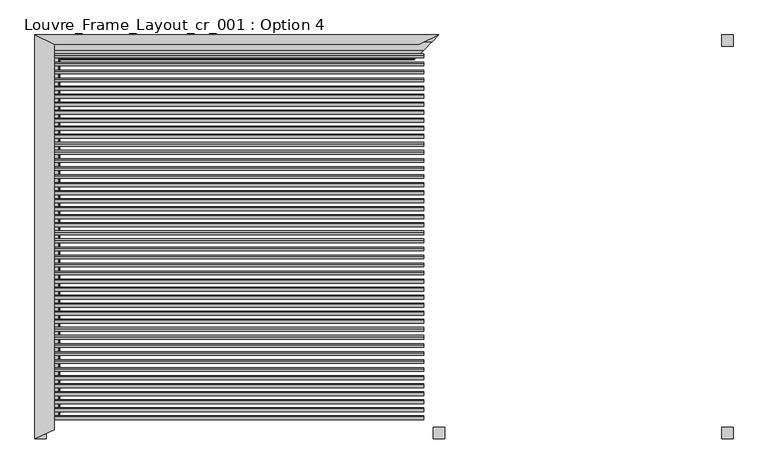
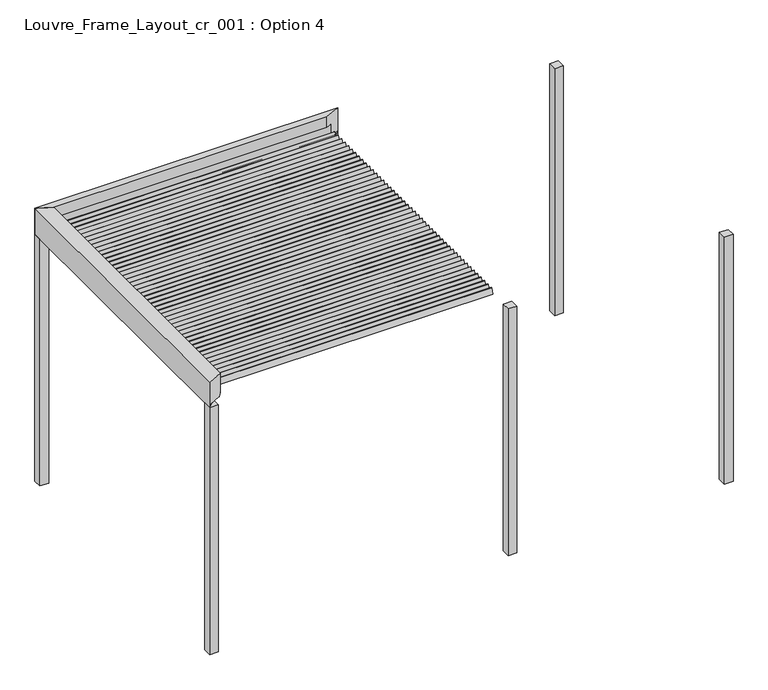
"""IFC4 building model written with IfcOpenShell, lengths in millimetres: proxy geometry, Louvre_Frame_Layout_cr_001 : Option 4."""

from ifc_helpers import new_model, si_unit, frame, origin, place, context, project, spatial, polyline, ellipse_curve, outline, extrude, source, transform, mapped, element, save
from ifc_brep_helpers import plane_surface, cylinder_surface, revolved_surface, advanced_brep


def louvre_frame_layout_cr_001_option_4_72526219(model_context):
    return source(origin(), model_context, "Body", "SolidModel", [
        extrude(outline(polyline([(50.0, -1760.0), (50.0, -1860.0), (-50.0, -1860.0), (-50.0, -1760.0), (50.0, -1760.0)])), frame((0.0, 0.0, -3017.0), z_axis=(0.0, 0.0, 1.0), x_axis=(1.0, 0.0, 0.0)), (0.0, 0.0, 1.0), 3017.0),
        extrude(outline(polyline([(-3500.0, 1640.0), (-3400.0, 1640.0), (-3400.0, 1540.0), (-3500.0, 1540.0), (-3500.0, 1640.0)])), frame((0.0, 0.0, -3017.0), z_axis=(0.0, 0.0, 1.0), x_axis=(1.0, 0.0, 0.0)), (0.0, 0.0, 1.0), 3017.0),
        extrude(outline(polyline([(2550.0, -1860.0), (2450.0, -1860.0), (2450.0, -1760.0), (2550.0, -1760.0), (2550.0, -1860.0)])), frame((0.0, 0.0, -3017.0), z_axis=(0.0, 0.0, 1.0), x_axis=(1.0, 0.0, 0.0)), (0.0, 0.0, 1.0), 3017.0),
        extrude(outline(polyline([(-3400.0, -1860.0), (-3500.0, -1860.0), (-3500.0, -1760.0), (-3400.0, -1760.0), (-3400.0, -1860.0)])), frame((0.0, 0.0, -3017.0), z_axis=(0.0, 0.0, 1.0), x_axis=(1.0, 0.0, 0.0)), (0.0, 0.0, 1.0), 3017.0),
        extrude(outline(polyline([(2550.0, 1640.0), (2550.0, 1540.0), (2450.0, 1540.0), (2450.0, 1640.0), (2550.0, 1640.0)])), frame((0.0, 0.0, -3017.0), z_axis=(0.0, 0.0, 1.0), x_axis=(1.0, 0.0, 0.0)), (0.0, 0.0, 1.0), 3017.0),
        extrude(outline(polyline([(0.0, 10.0), (3236.0, 10.0), (3236.0, 0.0), (0.0, 0.0), (0.0, 10.0)])), frame((-3368.0, -1624.9802792, 110.4249753), z_axis=(0.0, 0.3420201433256684, 0.9396926207859085), x_axis=(1.0, 0.0, 0.0)), (0.0, 0.0, 1.0), 70.0),
        extrude(outline(polyline([(0.0, 10.0), (3236.0, 10.0), (3236.0, 0.0), (0.0, 0.0), (0.0, 10.0)])), frame((-3368.0, -1555.2913903, 110.4249753), z_axis=(0.0, 0.3420201433256684, 0.9396926207859085), x_axis=(1.0, 0.0, 0.0)), (0.0, 0.0, 1.0), 70.0),
        extrude(outline(polyline([(0.0, 10.0000001), (3236.0, 10.0000001), (3236.0, 0.0), (0.0, 0.0), (0.0, 10.0000001)])), frame((-3368.0, -1485.6025015, 110.4249753), z_axis=(0.0, 0.3420201433256684, 0.9396926207859085), x_axis=(1.0, 0.0, 0.0)), (0.0, 0.0, 1.0), 70.0),
        extrude(outline(polyline([(0.0, 10.0), (3236.0, 10.0), (3236.0, 0.0), (0.0, 0.0), (0.0, 10.0)])), frame((-3368.0, -1415.9136126, 110.4249753), z_axis=(0.0, 0.3420201433256684, 0.9396926207859085), x_axis=(1.0, 0.0, 0.0)), (0.0, 0.0, 1.0), 70.0),
        extrude(outline(polyline([(0.0, 10.0), (3236.0, 10.0), (3236.0, 0.0), (0.0, 0.0), (0.0, 10.0)])), frame((-3368.0, -1346.2247237, 110.4249753), z_axis=(0.0, 0.3420201433256684, 0.9396926207859085), x_axis=(1.0, 0.0, 0.0)), (0.0, 0.0, 1.0), 70.0),
        extrude(outline(polyline([(0.0, 10.0), (3236.0, 10.0), (3236.0, 0.0), (0.0, 0.0), (0.0, 10.0)])), frame((-3368.0, -1276.5358348, 110.4249753), z_axis=(0.0, 0.3420201433256684, 0.9396926207859085), x_axis=(1.0, 0.0, 0.0)), (0.0, 0.0, 1.0), 70.0),
        extrude(outline(polyline([(0.0, 10.0), (3236.0, 10.0), (3236.0, 0.0), (0.0, 0.0), (0.0, 10.0)])), frame((-3368.0, -1206.8469459, 110.4249753), z_axis=(0.0, 0.3420201433256684, 0.9396926207859085), x_axis=(1.0, 0.0, 0.0)), (0.0, 0.0, 1.0), 70.0),
        extrude(outline(polyline([(0.0, 10.0), (3236.0, 10.0), (3236.0, 0.0), (0.0, 0.0), (0.0, 10.0)])), frame((-3368.0, -1137.158057, 110.4249753), z_axis=(0.0, 0.3420201433256684, 0.9396926207859085), x_axis=(1.0, 0.0, 0.0)), (0.0, 0.0, 1.0), 70.0),
        extrude(outline(polyline([(0.0, 10.0), (3236.0, 10.0), (3236.0, 0.0), (0.0, 0.0), (0.0, 10.0)])), frame((-3368.0, -1067.4691681, 110.4249753), z_axis=(0.0, 0.3420201433256684, 0.9396926207859085), x_axis=(1.0, 0.0, 0.0)), (0.0, 0.0, 1.0), 70.0),
        extrude(outline(polyline([(0.0, 10.0), (3236.0, 10.0), (3236.0, 0.0), (0.0, 0.0), (0.0, 10.0)])), frame((-3368.0, -997.7802792, 110.4249753), z_axis=(0.0, 0.3420201433256684, 0.9396926207859085), x_axis=(1.0, 0.0, 0.0)), (0.0, 0.0, 1.0), 70.0),
        extrude(outline(polyline([(0.0, 10.0), (3236.0, 10.0), (3236.0, 0.0), (0.0, 0.0), (0.0, 10.0)])), frame((-3368.0, -928.0913903, 110.4249753), z_axis=(0.0, 0.3420201433256684, 0.9396926207859085), x_axis=(1.0, 0.0, 0.0)), (0.0, 0.0, 1.0), 70.0),
        extrude(outline(polyline([(0.0, 10.0000001), (3236.0, 10.0000001), (3236.0, 0.0), (0.0, 0.0), (0.0, 10.0000001)])), frame((-3368.0, -858.4025015, 110.4249753), z_axis=(0.0, 0.3420201433256684, 0.9396926207859085), x_axis=(1.0, 0.0, 0.0)), (0.0, 0.0, 1.0), 70.0),
        extrude(outline(polyline([(0.0, 10.0), (3236.0, 10.0), (3236.0, 0.0), (0.0, 0.0), (0.0, 10.0)])), frame((-3368.0, -788.7136126, 110.4249753), z_axis=(0.0, 0.3420201433256684, 0.9396926207859085), x_axis=(1.0, 0.0, 0.0)), (0.0, 0.0, 1.0), 70.0),
        extrude(outline(polyline([(0.0, 10.0), (3236.0, 10.0), (3236.0, 0.0), (0.0, 0.0), (0.0, 10.0)])), frame((-3368.0, -719.0247237, 110.4249753), z_axis=(0.0, 0.3420201433256684, 0.9396926207859085), x_axis=(1.0, 0.0, 0.0)), (0.0, 0.0, 1.0), 70.0),
        extrude(outline(polyline([(0.0, 10.0), (3236.0, 10.0), (3236.0, 0.0), (0.0, 0.0), (0.0, 10.0)])), frame((-3368.0, -649.3358348, 110.4249753), z_axis=(0.0, 0.3420201433256684, 0.9396926207859085), x_axis=(1.0, 0.0, 0.0)), (0.0, 0.0, 1.0), 70.0),
        extrude(outline(polyline([(0.0, 10.0), (3236.0, 10.0), (3236.0, 0.0), (0.0, 0.0), (0.0, 10.0)])), frame((-3368.0, -579.6469459, 110.4249753), z_axis=(0.0, 0.3420201433256684, 0.9396926207859085), x_axis=(1.0, 0.0, 0.0)), (0.0, 0.0, 1.0), 70.0),
        extrude(outline(polyline([(0.0, 10.0), (3236.0, 10.0), (3236.0, 0.0), (0.0, 0.0), (0.0, 10.0)])), frame((-3368.0, -509.958057, 110.4249753), z_axis=(0.0, 0.3420201433256684, 0.9396926207859085), x_axis=(1.0, 0.0, 0.0)), (0.0, 0.0, 1.0), 70.0),
        extrude(outline(polyline([(0.0, 10.0), (3236.0, 10.0), (3236.0, 0.0), (0.0, 0.0), (0.0, 10.0)])), frame((-3368.0, -440.2691681, 110.4249753), z_axis=(0.0, 0.3420201433256684, 0.9396926207859085), x_axis=(1.0, 0.0, 0.0)), (0.0, 0.0, 1.0), 70.0),
        extrude(outline(polyline([(0.0, 10.0), (3236.0, 10.0), (3236.0, 0.0), (0.0, 0.0), (0.0, 10.0)])), frame((-3368.0, -370.5802792, 110.4249753), z_axis=(0.0, 0.3420201433256684, 0.9396926207859085), x_axis=(1.0, 0.0, 0.0)), (0.0, 0.0, 1.0), 70.0),
        extrude(outline(polyline([(0.0, 10.0), (3236.0, 10.0), (3236.0, 0.0), (0.0, 0.0), (0.0, 10.0)])), frame((-3368.0, -300.8913903, 110.4249753), z_axis=(0.0, 0.3420201433256684, 0.9396926207859085), x_axis=(1.0, 0.0, 0.0)), (0.0, 0.0, 1.0), 70.0),
        extrude(outline(polyline([(0.0, 10.0000001), (3236.0, 10.0000001), (3236.0, 0.0), (0.0, 0.0), (0.0, 10.0000001)])), frame((-3368.0, -231.2025015, 110.4249753), z_axis=(0.0, 0.3420201433256684, 0.9396926207859085), x_axis=(1.0, 0.0, 0.0)), (0.0, 0.0, 1.0), 70.0),
        extrude(outline(polyline([(0.0, 10.0), (3236.0, 10.0), (3236.0, 0.0), (0.0, 0.0), (0.0, 10.0)])), frame((-3368.0, -161.5136126, 110.4249753), z_axis=(0.0, 0.3420201433256684, 0.9396926207859085), x_axis=(1.0, 0.0, 0.0)), (0.0, 0.0, 1.0), 70.0),
        extrude(outline(polyline([(0.0, 10.0), (3236.0, 10.0), (3236.0, 0.0), (0.0, 0.0), (0.0, 10.0)])), frame((-3368.0, -91.8247237, 110.4249753), z_axis=(0.0, 0.3420201433256684, 0.9396926207859085), x_axis=(1.0, 0.0, 0.0)), (0.0, 0.0, 1.0), 70.0),
        extrude(outline(polyline([(0.0, 10.0), (3236.0, 10.0), (3236.0, 0.0), (0.0, 0.0), (0.0, 10.0)])), frame((-3368.0, -22.1358348, 110.4249753), z_axis=(0.0, 0.3420201433256684, 0.9396926207859085), x_axis=(1.0, 0.0, 0.0)), (0.0, 0.0, 1.0), 70.0),
        extrude(outline(polyline([(0.0, 10.0), (3236.0, 10.0), (3236.0, 0.0), (0.0, 0.0), (0.0, 10.0)])), frame((-3368.0, 47.5530541, 110.4249753), z_axis=(0.0, 0.3420201433256684, 0.9396926207859085), x_axis=(1.0, 0.0, 0.0)), (0.0, 0.0, 1.0), 70.0),
        extrude(outline(polyline([(0.0, 10.0), (3236.0, 10.0), (3236.0, 0.0), (0.0, 0.0), (0.0, 10.0)])), frame((-3368.0, 117.241943, 110.4249753), z_axis=(0.0, 0.3420201433256684, 0.9396926207859085), x_axis=(1.0, 0.0, 0.0)), (0.0, 0.0, 1.0), 70.0),
        extrude(outline(polyline([(0.0, 10.0), (3236.0, 10.0), (3236.0, 0.0), (0.0, 0.0), (0.0, 10.0)])), frame((-3368.0, 186.9308319, 110.4249753), z_axis=(0.0, 0.3420201433256684, 0.9396926207859085), x_axis=(1.0, 0.0, 0.0)), (0.0, 0.0, 1.0), 70.0),
        extrude(outline(polyline([(0.0, 10.0), (3236.0, 10.0), (3236.0, 0.0), (0.0, 0.0), (0.0, 10.0)])), frame((-3368.0, 256.6197208, 110.4249753), z_axis=(0.0, 0.3420201433256684, 0.9396926207859085), x_axis=(1.0, 0.0, 0.0)), (0.0, 0.0, 1.0), 70.0),
        extrude(outline(polyline([(0.0, 10.0), (3236.0, 10.0), (3236.0, 0.0), (0.0, 0.0), (0.0, 10.0)])), frame((-3368.0, 326.3086097, 110.4249753), z_axis=(0.0, 0.3420201433256684, 0.9396926207859085), x_axis=(1.0, 0.0, 0.0)), (0.0, 0.0, 1.0), 70.0),
        extrude(outline(polyline([(0.0, 10.0000001), (3236.0, 10.0000001), (3236.0, 0.0), (0.0, 0.0), (0.0, 10.0000001)])), frame((-3368.0, 395.9974985, 110.4249753), z_axis=(0.0, 0.3420201433256684, 0.9396926207859085), x_axis=(1.0, 0.0, 0.0)), (0.0, 0.0, 1.0), 70.0),
        extrude(outline(polyline([(0.0, 10.0), (3236.0, 10.0), (3236.0, 0.0), (0.0, 0.0), (0.0, 10.0)])), frame((-3368.0, 465.6863874, 110.4249753), z_axis=(0.0, 0.3420201433256684, 0.9396926207859085), x_axis=(1.0, 0.0, 0.0)), (0.0, 0.0, 1.0), 70.0),
        extrude(outline(polyline([(0.0, 10.0), (3236.0, 10.0), (3236.0, 0.0), (0.0, 0.0), (0.0, 10.0)])), frame((-3368.0, 535.3752763, 110.4249753), z_axis=(0.0, 0.3420201433256684, 0.9396926207859085), x_axis=(1.0, 0.0, 0.0)), (0.0, 0.0, 1.0), 70.0),
        extrude(outline(polyline([(0.0, 10.0), (3236.0, 10.0), (3236.0, 0.0), (0.0, 0.0), (0.0, 10.0)])), frame((-3368.0, 605.0641652, 110.4249753), z_axis=(0.0, 0.3420201433256684, 0.9396926207859085), x_axis=(1.0, 0.0, 0.0)), (0.0, 0.0, 1.0), 70.0),
        extrude(outline(polyline([(0.0, 10.0), (3236.0, 10.0), (3236.0, 0.0), (0.0, 0.0), (0.0, 10.0)])), frame((-3368.0, 674.7530541, 110.4249753), z_axis=(0.0, 0.3420201433256684, 0.9396926207859085), x_axis=(1.0, 0.0, 0.0)), (0.0, 0.0, 1.0), 70.0),
        extrude(outline(polyline([(0.0, 10.0), (3236.0, 10.0), (3236.0, 0.0), (0.0, 0.0), (0.0, 10.0)])), frame((-3368.0, 744.441943, 110.4249753), z_axis=(0.0, 0.3420201433256684, 0.9396926207859085), x_axis=(1.0, 0.0, 0.0)), (0.0, 0.0, 1.0), 70.0),
        extrude(outline(polyline([(0.0, 10.0), (3236.0, 10.0), (3236.0, 0.0), (0.0, 0.0), (0.0, 10.0)])), frame((-3368.0, 814.1308319, 110.4249753), z_axis=(0.0, 0.3420201433256684, 0.9396926207859085), x_axis=(1.0, 0.0, 0.0)), (0.0, 0.0, 1.0), 70.0),
        extrude(outline(polyline([(0.0, 10.0), (3236.0, 10.0), (3236.0, 0.0), (0.0, 0.0), (0.0, 10.0)])), frame((-3368.0, 883.8197208, 110.4249753), z_axis=(0.0, 0.3420201433256684, 0.9396926207859085), x_axis=(1.0, 0.0, 0.0)), (0.0, 0.0, 1.0), 70.0),
        extrude(outline(polyline([(0.0, 10.0), (3236.0, 10.0), (3236.0, 0.0), (0.0, 0.0), (0.0, 10.0)])), frame((-3368.0, 953.5086097, 110.4249753), z_axis=(0.0, 0.3420201433256684, 0.9396926207859085), x_axis=(1.0, 0.0, 0.0)), (0.0, 0.0, 1.0), 70.0),
        extrude(outline(polyline([(0.0, 10.0000001), (3236.0, 10.0000001), (3236.0, 0.0), (0.0, 0.0), (0.0, 10.0000001)])), frame((-3368.0, 1023.1974985, 110.4249753), z_axis=(0.0, 0.3420201433256684, 0.9396926207859085), x_axis=(1.0, 0.0, 0.0)), (0.0, 0.0, 1.0), 70.0),
        extrude(outline(polyline([(0.0, 10.0), (3236.0, 10.0), (3236.0, 0.0), (0.0, 0.0), (0.0, 10.0)])), frame((-3368.0, 1092.8863874, 110.4249753), z_axis=(0.0, 0.3420201433256684, 0.9396926207859085), x_axis=(1.0, 0.0, 0.0)), (0.0, 0.0, 1.0), 70.0),
        extrude(outline(polyline([(0.0, 10.0), (3236.0, 10.0), (3236.0, 0.0), (0.0, 0.0), (0.0, 10.0)])), frame((-3368.0, 1162.5752763, 110.4249753), z_axis=(0.0, 0.3420201433256684, 0.9396926207859085), x_axis=(1.0, 0.0, 0.0)), (0.0, 0.0, 1.0), 70.0),
        extrude(outline(polyline([(0.0, 10.0), (3236.0, 10.0), (3236.0, 0.0), (0.0, 0.0), (0.0, 10.0)])), frame((-3368.0, 1232.2641652, 110.4249753), z_axis=(0.0, 0.3420201433256684, 0.9396926207859085), x_axis=(1.0, 0.0, 0.0)), (0.0, 0.0, 1.0), 70.0),
        extrude(outline(polyline([(0.0, 10.0), (3236.0, 10.0), (3236.0, 0.0), (0.0, 0.0), (0.0, 10.0)])), frame((-3368.0, 1301.9530541, 110.4249753), z_axis=(0.0, 0.3420201433256684, 0.9396926207859085), x_axis=(1.0, 0.0, 0.0)), (0.0, 0.0, 1.0), 70.0),
        extrude(outline(polyline([(0.0, 10.0), (3236.0, 10.0), (3236.0, 0.0), (0.0, 0.0), (0.0, 10.0)])), frame((-3368.0, 1371.641943, 110.4249753), z_axis=(0.0, 0.3420201433256684, 0.9396926207859085), x_axis=(1.0, 0.0, 0.0)), (0.0, 0.0, 1.0), 70.0),
        extrude(outline(polyline([(0.0, 10.0), (3236.0, 10.0), (3236.0, 0.0), (0.0, 0.0), (0.0, 10.0)])), frame((-3368.0, -1694.6691681, 110.4249753), z_axis=(0.0, 0.3420201433256684, 0.9396926207859085), x_axis=(1.0, 0.0, 0.0)), (0.0, 0.0, 1.0), 70.0),
        extrude(outline(polyline([(0.0, 10.0), (3236.0, 10.0), (3236.0, 0.0), (0.0, 0.0), (0.0, 10.0)])), frame((-3368.0, 1441.3308319, 110.4249753), z_axis=(0.0, 0.3420201433256684, 0.9396926207859085), x_axis=(1.0, 0.0, 0.0)), (0.0, 0.0, 1.0), 70.0),
        advanced_brep(
        [(-3349.8942843, 1489.8942843, 0.0), (-3284.8218695, 1424.8218695, 26.1870213), (-3284.8218695, 1424.8218695, 39.3616238), (-3285.4888339, 1425.4888339, 40.0285881), (-3291.0621612, 1431.0621612, 40.0285881), (-3291.7291256, 1431.7291256, 39.3616238), (-3291.7291256, 1431.7291256, 25.5580129), (-3336.794989, 1476.794989, 7.4266447), (-3364.8199959, 1504.8199959, 2.0018958), (-3443.0005687, 1583.0005687, 2.0018958), (-3448.0054103, 1588.0054103, 7.0067374), (-3448.0054103, 1588.0054103, 36.2093165), (-3447.4216619, 1587.4216619, 36.793065), (-3444.7025891, 1584.7025891, 36.793065), (-3442.6996709, 1582.6996709, 38.7959832), (-3500.0, 1640.0, 38.8575344), (-3500.0, 1640.0, 0.0), (0.0, 1640.0, 0.0), (0.0, 1640.0, 38.8575344), (-57.2993831, 1582.7006169, 38.8575344), (-55.2974109, 1584.7025891, 36.793065), (-52.5783381, 1587.4216619, 36.793065), (-51.9945897, 1588.0054103, 36.2093165), (-51.9945897, 1588.0054103, 7.0067374), (-56.9994313, 1583.0005687, 2.0018958), (-135.1800041, 1504.8199959, 2.0018958), (-163.205011, 1476.794989, 7.4266447), (-208.2708744, 1431.7291256, 25.5580129), (-208.2708744, 1431.7291256, 39.3616238), (-208.9378388, 1431.0621612, 40.0285881), (-214.5111661, 1425.4888339, 40.0285881), (-215.1781305, 1424.8218695, 39.3616238), (-215.1781305, 1424.8218695, 26.1870213), (-150.1057157, 1489.8942843, 0.0), (-3378.3701643, 1582.7006169, 38.8575344), (-3378.3701643, 1582.6996709, 64.3212787), (-3382.6221378, 1584.7027935, 66.3244014), (-3388.3114217, 1587.3830392, 66.3244014), (-3389.6325118, 1588.0054103, 66.9467725), (-3389.6325118, 1588.0054103, 186.7535382), (-3330.2950263, 1560.0512704, 186.7535382), (-3330.2950263, 1560.0512704, 316.6276048), (-3500.0, 1640.0, 316.6276048), (-3500.0, 1640.0, 40.0285881), (-169.7049737, 1560.0512704, 316.6276048), (0.0, 1640.0, 316.6276048), (0.0, 1640.0, 40.0285881), (-121.6298357, 1582.7006169, 38.8575344), (-121.6298357, 1582.6996709, 64.3212787), (-117.3778622, 1584.7027935, 66.3244014), (-111.6885783, 1587.3830392, 66.3244014), (-110.3674882, 1588.0054103, 66.9467725), (-110.3674882, 1588.0054103, 186.7535382), (-169.7049737, 1560.0512704, 186.7535382)],
        [
            (0, 1),
            (1, 2),
            (2, 3, ellipse_curve(frame((-3285.4888339, 1425.4888339, 39.3616238), z_axis=(-0.7071067811865666, -0.7071067811865285, 0.0), x_axis=(0.7071067811865286, -0.7071067811865666, 0.0)), 0.94323, 0.6669644)),
            (3, 4),
            (4, 5, ellipse_curve(frame((-3291.0621612, 1431.0621612, 39.3616238), z_axis=(-0.7071067811865666, -0.7071067811865285, 0.0), x_axis=(0.7071067811865286, -0.7071067811865666, 0.0)), 0.94323, 0.6669644)),
            (5, 6),
            (6, 7),
            (7, 8, ellipse_curve(frame((-3364.8119854, 1504.8119854, 77.0634267), z_axis=(0.7071067811865666, 0.7071067811865285, 0.0), x_axis=(-0.7071067811865286, 0.7071067811865666, 0.0)), 106.1530357, 75.0615314)),
            (8, 9),
            (9, 10, ellipse_curve(frame((-3443.0005687, 1583.0005687, 7.0067374), z_axis=(0.7071067811865666, 0.7071067811865285, 0.0), x_axis=(-0.7071067811865286, 0.7071067811865666, 0.0)), 7.0779149, 5.0048416)),
            (10, 11),
            (11, 12, ellipse_curve(frame((-3447.4216619, 1587.4216619, 36.2093165), z_axis=(0.7071067811865666, 0.7071067811865285, 0.0), x_axis=(-0.7071067811865286, 0.7071067811865666, 0.0)), 0.825545, 0.5837485)),
            (12, 13),
            (13, 14, ellipse_curve(frame((-3444.7025891, 1584.7025891, 38.7959832), z_axis=(-0.7071067811865666, -0.7071067811865285, 0.0), x_axis=(0.7071067811865286, -0.7071067811865666, 0.0)), 2.832554, 2.0029182)),
            (14, 15),
            (15, 16),
            (16, 0),
            (17, 18),
            (18, 19),
            (19, 20, ellipse_curve(frame((-55.2974109, 1584.7025891, 38.7959832), z_axis=(0.7071067811865351, -0.7071067811865599, 0.0), x_axis=(0.7071067811865599, 0.7071067811865351, 0.0)), 2.832554, 2.0029182)),
            (20, 21),
            (21, 22, ellipse_curve(frame((-52.5783381, 1587.4216619, 36.2093165), z_axis=(-0.7071067811865351, 0.7071067811865599, 0.0), x_axis=(-0.7071067811865599, -0.7071067811865351, 0.0)), 0.825545, 0.5837485)),
            (22, 23),
            (23, 24, ellipse_curve(frame((-56.9994313, 1583.0005687, 7.0067374), z_axis=(-0.7071067811865351, 0.7071067811865599, 0.0), x_axis=(-0.7071067811865599, -0.7071067811865351, 0.0)), 7.0779149, 5.0048416)),
            (24, 25),
            (25, 26, ellipse_curve(frame((-135.1880146, 1504.8119854, 77.0634267), z_axis=(-0.7071067811865351, 0.7071067811865599, 0.0), x_axis=(-0.7071067811865599, -0.7071067811865351, 0.0)), 106.1530357, 75.0615314)),
            (26, 27),
            (27, 28),
            (28, 29, ellipse_curve(frame((-208.9378388, 1431.0621612, 39.3616238), z_axis=(0.7071067811865351, -0.7071067811865599, 0.0), x_axis=(0.7071067811865599, 0.7071067811865351, 0.0)), 0.94323, 0.6669644)),
            (29, 30),
            (30, 31, ellipse_curve(frame((-214.5111661, 1425.4888339, 39.3616238), z_axis=(0.7071067811865351, -0.7071067811865599, 0.0), x_axis=(0.7071067811865599, 0.7071067811865351, 0.0)), 0.94323, 0.6669644)),
            (31, 32),
            (32, 33),
            (33, 17),
            (14, 34),
            (34, 15),
            (34, 35),
            (35, 36, ellipse_curve(frame((-3382.6221378, 1584.7027935, 64.3212787), z_axis=(-0.426179151091085, -0.9046387849165446, 0.0), x_axis=(0.9046387849165445, -0.426179151091085, 0.0)), 4.7001892, 2.0031227)),
            (36, 37),
            (37, 38, ellipse_curve(frame((-3388.3114217, 1587.3830392, 66.9467725), z_axis=(0.426179151091085, 0.9046387849165446, 0.0), x_axis=(-0.9046387849165445, 0.426179151091085, 0.0)), 1.460351, 0.6223711)),
            (38, 39),
            (39, 40),
            (40, 41),
            (41, 42),
            (42, 43),
            (43, 15),
            (41, 44),
            (44, 45),
            (45, 42),
            (45, 46),
            (46, 18),
            (17, 16),
            (33, 0),
            (32, 1),
            (31, 2),
            (30, 3),
            (29, 4),
            (28, 5),
            (27, 6),
            (26, 7),
            (25, 8),
            (24, 9),
            (23, 10),
            (22, 11),
            (21, 12),
            (20, 13),
            (19, 47),
            (47, 34),
            (47, 48),
            (48, 35),
            (48, 49, ellipse_curve(frame((-117.3778622, 1584.7027935, 64.3212787), z_axis=(-0.4261791510912805, 0.9046387849164524, 0.0), x_axis=(0.9046387849164526, 0.4261791510912806, 0.0)), 4.7001892, 2.0031227)),
            (49, 36),
            (49, 50),
            (50, 37),
            (50, 51, ellipse_curve(frame((-111.6885783, 1587.3830392, 66.9467725), z_axis=(0.4261791510912805, -0.9046387849164524, 0.0), x_axis=(-0.9046387849164526, -0.4261791510912806, 0.0)), 1.460351, 0.6223711)),
            (51, 38),
            (51, 52),
            (52, 39),
            (52, 53),
            (53, 40),
            (53, 44),
            (18, 47),
        ],
        [
            plane_surface(frame((-3500.0, 1640.0, 40.0285881), z_axis=(-0.7071067811865666, -0.7071067811865285, 0.0), x_axis=(0.0, 0.0, -1.0))),
            plane_surface(frame((-258.0939751, 1381.9060249, 40.0285881), z_axis=(0.7071067811865351, -0.7071067811865599, 0.0), x_axis=(0.0, 0.0, -1.0))),
            plane_surface(frame((-3500.0, 1560.0512704, 38.8575344), z_axis=(0.0, 0.0, 1.0), x_axis=(1.0, 0.0, 0.0))),
            plane_surface(frame((-3500.0, 1640.0, 398.4370867), z_axis=(-0.426179151091085, -0.9046387849165446, 0.0), x_axis=(0.0, 0.0, -1.0))),
            plane_surface(frame((0.0, 1560.0512704, 316.6276048), z_axis=(0.0, 0.0, 1.0), x_axis=(-1.0, 0.0, 0.0))),
            plane_surface(frame((0.0, 1640.0, 316.6276048), z_axis=(0.0, 1.0, 0.0), x_axis=(-1.0, 0.0, 0.0))),
            plane_surface(frame((0.0, 1640.0, 0.0), z_axis=(0.0, 0.0, -1.0), x_axis=(-1.0, 0.0, 0.0))),
            plane_surface(frame((0.0, 1489.8942843, 0.0), z_axis=(0.0, -0.3733323631651337, -0.927697659053604), x_axis=(-1.0, 0.0, 0.0))),
            plane_surface(frame((0.0, 1424.8218695, 26.1870213), z_axis=(0.0, -1.0, 0.0), x_axis=(-1.0, 0.0, 0.0))),
            cylinder_surface(frame((0.0, 1425.4888339, 39.3616238), z_axis=(1.0, 0.0, 0.0), x_axis=(0.0, 1.0, 0.0)), 0.6669644),
            plane_surface(frame((0.0, 1425.4888339, 40.0285881), z_axis=(0.0, 0.0, 1.0), x_axis=(-1.0, 0.0, 0.0))),
            cylinder_surface(frame((0.0, 1431.0621612, 39.3616238), z_axis=(1.0, 0.0, 0.0), x_axis=(0.0, -1.0, 0.0)), 0.6669644),
            plane_surface(frame((0.0, 1431.7291256, 39.3616238), z_axis=(0.0, 1.0, 0.0), x_axis=(-1.0, 0.0, 0.0))),
            plane_surface(frame((0.0, 1431.7291256, 25.5580129), z_axis=(0.0, 0.37325372835204085, 0.9277293001039155), x_axis=(-1.0, 0.0, 0.0))),
            revolved_surface(polyline([(-3439.873516787006, 1429.750454, 77.0634267), (-60.12648321299102, 1429.750454, 77.0634267)]), (0.0, 1504.8119854, 77.0634267), (-1.0, 0.0, 0.0)),
            plane_surface(frame((0.0, 1504.8199959, 2.0018958), z_axis=(0.0, 0.0, 1.0), x_axis=(-1.0, 0.0, 0.0))),
            revolved_surface(polyline([(-3448.005410322451, 1577.9957271, 7.0067374), (-51.9945896775486, 1577.9957271, 7.0067374)]), (0.0, 1583.0005687, 7.0067374), (-1.0, 0.0, 0.0)),
            plane_surface(frame((0.0, 1588.0054103, 7.0067374), z_axis=(0.0, -1.0, 0.0), x_axis=(-1.0, 0.0, 0.0))),
            revolved_surface(polyline([(-3448.0054103676744, 1586.8379134, 36.2093165), (-51.994589632325344, 1586.8379134, 36.2093165)]), (0.0, 1587.4216619, 36.2093165), (-1.0, 0.0, 0.0)),
            plane_surface(frame((0.0, 1587.4216619, 36.793065), z_axis=(0.0, 0.0, -1.0), x_axis=(-1.0, 0.0, 0.0))),
            cylinder_surface(frame((0.0, 1584.7025891, 38.7959832), z_axis=(1.0, 0.0, 0.0), x_axis=(0.0, -1.0, 0.0)), 2.0029182),
            plane_surface(frame((0.0, 1582.6996709, 38.7959832), z_axis=(0.0, -1.0, 0.0), x_axis=(-1.0, 0.0, 0.0))),
            cylinder_surface(frame((0.0, 1584.7027935, 64.3212787), z_axis=(1.0, 0.0, 0.0), x_axis=(0.0, -1.0, 0.0)), 2.0031227),
            plane_surface(frame((0.0, 1584.7027935, 66.3244014), z_axis=(0.0, 0.0, 1.0), x_axis=(-1.0, 0.0, 0.0))),
            revolved_surface(polyline([(-3389.6325118541918, 1586.7606681, 66.9467725), (-110.36748814580848, 1586.7606681, 66.9467725)]), (0.0, 1587.3830392, 66.9467725), (-1.0, 0.0, 0.0)),
            plane_surface(frame((0.0, 1588.0054103, 66.9467725), z_axis=(0.0, -1.0, 0.0), x_axis=(-1.0, 0.0, 0.0))),
            plane_surface(frame((0.0, 1588.0054103, 186.7535382), z_axis=(0.0, 0.0, -1.0), x_axis=(-1.0, 0.0, 0.0))),
            plane_surface(frame((0.0, 1560.0512704, 186.7535382), z_axis=(0.0, -1.0, 0.0), x_axis=(-1.0, 0.0, 0.0))),
            plane_surface(frame((0.0, 1640.0, 38.8575344), z_axis=(0.0, 0.0, 1.0), x_axis=(-0.9046387849164524, -0.4261791510912805, 0.0))),
            plane_surface(frame((-169.7049737, 1560.0512704, 398.4370867), z_axis=(0.4261791510912805, -0.9046387849164524, 0.0), x_axis=(0.0, 0.0, -1.0))),
        ],
        [
            (0, [[1, 2, 3, 4, 5, 6, 7, 8, 9, 10, 11, 12, 13, 14, 15, 16, 17]]),
            (1, [[18, 19, 20, 21, 22, 23, 24, 25, 26, 27, 28, 29, 30, 31, 32, 33, 34]]),
            (2, [[-15, 35, 36]]),
            (3, [[37, 38, 39, 40, 41, 42, 43, 44, 45, 46, -36]]),
            (4, [[-44, 47, 48, 49]]),
            (5, [[50, 51, -18, 52, -16, -46, -45, -49]]),
            (6, [[-34, 53, -17, -52]]),
            (7, [[-53, -33, 54, -1]]),
            (8, [[-54, -32, 55, -2]]),
            (9, [[-55, -31, 56, -3]]),
            (10, [[-56, -30, 57, -4]]),
            (11, [[-57, -29, 58, -5]]),
            (12, [[-58, -28, 59, -6]]),
            (13, [[-59, -27, 60, -7]]),
            (14, [[-60, -26, 61, -8]]),
            (15, [[-61, -25, 62, -9]]),
            (16, [[-62, -24, 63, -10]]),
            (17, [[-63, -23, 64, -11]]),
            (18, [[-64, -22, 65, -12]]),
            (19, [[-65, -21, 66, -13]]),
            (20, [[-66, -20, 67, 68, -35, -14]]),
            (21, [[-68, 69, 70, -37]]),
            (22, [[-70, 71, 72, -38]]),
            (23, [[-72, 73, 74, -39]]),
            (24, [[-74, 75, 76, -40]]),
            (25, [[-76, 77, 78, -41]]),
            (26, [[-78, 79, 80, -42]]),
            (27, [[-80, 81, -47, -43]]),
            (28, [[-67, -19, 82]]),
            (29, [[-51, -50, -48, -81, -79, -77, -75, -73, -71, -69, -82]]),
        ],
    ),
        advanced_brep(
        [(-3500.0, -1860.0, 40.0285881), (-3500.0, -1860.0, 36.793065), (-3500.0, -1860.0, 0.0), (-3349.8942843, -1709.9379038, 0.0), (-3285.3886853, -1645.4510496, 25.9589183), (-3284.8218695, -1644.8843985, 26.5150991), (-3284.8218695, -1644.8843985, 39.3616238), (-3285.4888339, -1645.5511691, 40.0285881), (-3291.0621612, -1651.1228768, 40.0285881), (-3291.7291256, -1651.7896474, 39.3616238), (-3291.7291256, -1651.7896474, 25.5580129), (-3336.794989, -1696.842415, 7.4266447), (-3364.8199959, -1724.8592781, 2.0018958), (-3443.0005687, -1803.0171323, 2.0018958), (-3448.0054103, -1808.0205195, 7.0067374), (-3448.0054103, -1808.0205195, 30.0771301), (-3437.2798539, -1797.2980799, 30.0771301), (-3437.2798539, -1797.2980799, 37.2197882), (-3435.6421077, -1795.6608096, 38.8575344), (-3357.499356, -1717.5407655, 38.8575344), (-3354.7049082, -1714.7471297, 40.0285881), (-3354.7049082, 1494.7471297, 40.0285881), (-3357.499356, 1497.5407655, 38.8575344), (-3435.6421077, 1575.6608096, 38.8575344), (-3437.2798539, 1577.2980799, 37.2197882), (-3437.2798539, 1577.2980799, 30.0771301), (-3448.0054103, 1588.0205195, 30.0771301), (-3448.0054103, 1588.0205195, 7.0067374), (-3443.0005687, 1583.0171323, 2.0018958), (-3364.8199959, 1504.8592781, 2.0018958), (-3336.794989, 1476.842415, 7.4266447), (-3291.7291256, 1431.7896474, 25.5580129), (-3291.7291256, 1431.7896474, 39.3616238), (-3291.0621612, 1431.1228768, 40.0285881), (-3285.4888339, 1425.5511691, 40.0285881), (-3284.8218695, 1424.8843985, 39.3616238), (-3284.8218695, 1424.8843985, 26.5150991), (-3285.3886853, 1425.4510496, 25.9589183), (-3349.8942843, 1489.9379038, 0.0), (-3500.0, 1640.0, 0.0), (-3500.0, 1640.0, 36.793065), (-3500.0, 1640.0, 40.0285881), (-3330.2950263, 1560.0512704, 186.2985422), (-3336.7193678, 1563.0778048, 186.2985422), (-3336.7193678, 1563.0778048, 88.3970766), (-3330.3018549, 1560.0544873, 88.3970766), (-3330.3018549, 1560.0544873, 79.2796958), (-3352.0673551, 1570.3083064, 42.7736155), (-3354.7049082, 1571.5508688, 40.0285881), (-3500.0, 1640.0, 315.1230176), (-3330.2950263, 1560.0512704, 315.1230176), (-3354.7049082, -1791.5508688, 40.0285881), (-3330.2950263, -1780.0512704, 315.1230176), (-3330.2950263, -1780.0512704, 186.2985422), (-3336.7193678, -1783.0778048, 186.2985422), (-3336.7193678, -1783.0778048, 88.3970766), (-3330.3018549, -1780.0544873, 88.3970766), (-3330.3018549, -1780.0544873, 79.2796958), (-3352.0673551, -1790.3083064, 42.7736155), (-3500.0, -1860.0, 315.1230176)],
        [
            (0, 1),
            (1, 2),
            (2, 3),
            (3, 4),
            (4, 5, ellipse_curve(frame((-3285.7754513, -1645.8377032, 26.9199973), z_axis=(0.7070040190667776, -0.7072095283743168, 0.0), x_axis=(-0.7072095283743168, -0.7070040190667775, 0.0)), 1.4648884, 1.035983)),
            (5, 6),
            (6, 7, ellipse_curve(frame((-3285.4888339, -1645.5511691, 39.3616238), z_axis=(0.7070040190667776, -0.7072095283743168, 0.0), x_axis=(-0.7072095283743168, -0.7070040190667775, 0.0)), 0.943093, 0.6669644)),
            (7, 8),
            (8, 9, ellipse_curve(frame((-3291.0621612, -1651.1228768, 39.3616238), z_axis=(0.7070040190667776, -0.7072095283743168, 0.0), x_axis=(-0.7072095283743168, -0.7070040190667775, 0.0)), 0.943093, 0.6669644)),
            (9, 10),
            (10, 11),
            (11, 12, ellipse_curve(frame((-3364.8119854, -1724.85127, 77.0634267), z_axis=(-0.7070040190667776, 0.7072095283743168, 0.0), x_axis=(0.7072095283743168, 0.7070040190667775, 0.0)), 106.1376132, 75.0615314)),
            (12, 13),
            (13, 14, ellipse_curve(frame((-3443.0005687, -1803.0171323, 7.0067374), z_axis=(-0.7070040190667776, 0.7072095283743168, 0.0), x_axis=(0.7072095283743168, 0.7070040190667775, 0.0)), 7.0768866, 5.0048416)),
            (14, 15),
            (15, 16),
            (16, 17),
            (17, 18, ellipse_curve(frame((-3435.6421077, -1795.6608096, 37.2197882), z_axis=(-0.7070040190667776, 0.7072095283743168, 0.0), x_axis=(0.7072095283743168, 0.7070040190667775, 0.0)), 2.3157864, 1.6377462)),
            (18, 19),
            (19, 20, ellipse_curve(frame((-3359.3065931, -1719.3474774, 47.0897633), z_axis=(0.7070040190667776, -0.7072095283743168, 0.0), x_axis=(-0.7072095283743168, -0.7070040190667775, 0.0)), 11.917639, 8.4282679)),
            (20, 0),
            (21, 22, ellipse_curve(frame((-3359.3065931, 1499.3474775, 47.0897633), z_axis=(0.707004019064737, 0.707209528376357, 0.0), x_axis=(0.707209528376357, -0.7070040190647368, 0.0)), 11.917639, 8.4282679)),
            (22, 23),
            (23, 24, ellipse_curve(frame((-3435.6421077, 1575.6608096, 37.2197882), z_axis=(-0.707004019064737, -0.707209528376357, 0.0), x_axis=(-0.707209528376357, 0.7070040190647368, 0.0)), 2.3157864, 1.6377462)),
            (24, 25),
            (25, 26),
            (26, 27),
            (27, 28, ellipse_curve(frame((-3443.0005687, 1583.0171323, 7.0067374), z_axis=(-0.707004019064737, -0.707209528376357, 0.0), x_axis=(-0.707209528376357, 0.7070040190647368, 0.0)), 7.0768866, 5.0048416)),
            (28, 29),
            (29, 30, ellipse_curve(frame((-3364.8119854, 1504.85127, 77.0634267), z_axis=(-0.707004019064737, -0.707209528376357, 0.0), x_axis=(-0.707209528376357, 0.7070040190647368, 0.0)), 106.1376132, 75.0615314)),
            (30, 31),
            (31, 32),
            (32, 33, ellipse_curve(frame((-3291.0621612, 1431.1228768, 39.3616238), z_axis=(0.707004019064737, 0.707209528376357, 0.0), x_axis=(0.707209528376357, -0.7070040190647368, 0.0)), 0.943093, 0.6669644)),
            (33, 34),
            (34, 35, ellipse_curve(frame((-3285.4888339, 1425.5511691, 39.3616238), z_axis=(0.707004019064737, 0.707209528376357, 0.0), x_axis=(0.707209528376357, -0.7070040190647368, 0.0)), 0.943093, 0.6669644)),
            (35, 36),
            (36, 37, ellipse_curve(frame((-3285.7754513, 1425.8377032, 26.9199973), z_axis=(0.707004019064737, 0.707209528376357, 0.0), x_axis=(0.707209528376357, -0.7070040190647368, 0.0)), 1.4648884, 1.035983)),
            (37, 38),
            (38, 39),
            (39, 40),
            (40, 41),
            (41, 21),
            (42, 43),
            (43, 44),
            (44, 45),
            (45, 46),
            (46, 47),
            (47, 48, ellipse_curve(frame((-3359.3065931, 1573.718742, 47.0897633), z_axis=(0.42617915109108384, 0.9046387849165451, 0.0), x_axis=(0.9046387849165451, -0.42617915109108356, 0.0)), 9.3167218, 8.4282679)),
            (48, 41),
            (41, 49),
            (49, 50),
            (50, 42),
            (20, 51),
            (51, 0),
            (48, 21),
            (50, 52),
            (52, 53),
            (53, 42),
            (53, 54),
            (54, 43),
            (54, 55),
            (55, 44),
            (55, 56),
            (56, 45),
            (56, 57),
            (57, 46),
            (57, 58),
            (58, 47),
            (19, 22),
            (58, 51, ellipse_curve(frame((-3359.3065931, -1793.718742, 47.0897633), z_axis=(-0.42617915109110643, 0.9046387849165345, 0.0), x_axis=(-0.9046387849165346, -0.42617915109110627, 0.0)), 9.3167218, 8.4282679)),
            (18, 23),
            (17, 24),
            (16, 25),
            (15, 26),
            (14, 27),
            (13, 28),
            (12, 29),
            (11, 30),
            (10, 31),
            (9, 32),
            (8, 33),
            (7, 34),
            (6, 35),
            (5, 36),
            (4, 37),
            (3, 38),
            (2, 39),
            (0, 59),
            (59, 49),
            (59, 52),
        ],
        [
            plane_surface(frame((-3500.0, -1860.0, 40.0285881), z_axis=(0.7070040190667776, -0.7072095283743168, 0.0), x_axis=(0.0, 0.0, -1.0))),
            plane_surface(frame((-3241.9060249, 1381.9810249, 40.0285881), z_axis=(0.707004019064737, 0.707209528376357, 0.0), x_axis=(0.0, 0.0, -1.0))),
            plane_surface(frame((-3330.2950263, 1560.0512704, 355.5911694), z_axis=(0.42617915109108384, 0.9046387849165451, 0.0), x_axis=(0.0, 0.0, -1.0))),
            plane_surface(frame((-3241.9060249, -1601.9810249, 40.0285881), z_axis=(0.0, 0.0, -1.0), x_axis=(0.0, -1.0, 0.0))),
            plane_surface(frame((-3500.0, 1640.0, 40.0285881), z_axis=(0.0, 0.0, -1.0000000000000002), x_axis=(-0.707209528376357, 0.707004019064737, 0.0))),
            plane_surface(frame((-3330.2950263, -1860.0, 315.1230176), z_axis=(1.0, 0.0, 0.0), x_axis=(0.0, 1.0, 0.0))),
            plane_surface(frame((-3330.2950263, -1860.0, 186.2985422), z_axis=(0.0, 0.0, -1.0), x_axis=(0.0, 1.0, 0.0))),
            plane_surface(frame((-3336.7193678, -1860.0, 186.2985422), z_axis=(1.0, 0.0, 0.0), x_axis=(0.0, 1.0, 0.0))),
            plane_surface(frame((-3336.7193678, -1860.0, 88.3970766), z_axis=(0.0, 0.0, 1.0), x_axis=(0.0, 1.0, 0.0))),
            plane_surface(frame((-3330.3018549, -1860.0, 88.3970766), z_axis=(1.0, 0.0, 0.0), x_axis=(0.0, 1.0, 0.0))),
            plane_surface(frame((-3330.3018549, -1860.0, 79.2796958), z_axis=(0.8589235852565517, 0.0, -0.5121037733604697), x_axis=(0.0, 1.0, 0.0))),
            cylinder_surface(frame((-3359.3065931, -1860.0, 47.0897633), z_axis=(0.0, -1.0, 0.0), x_axis=(1.0, 0.0, 0.0)), 8.4282679),
            plane_surface(frame((-3357.499356, -1860.0, 38.8575344), z_axis=(0.0, 0.0, -1.0), x_axis=(0.0, 1.0, 0.0))),
            revolved_surface(polyline([(-3434.0043615, 1577.2980798999997, 37.2197882), (-3434.0043615, -1797.2980799, 37.2197882)]), (-3435.6421077, -1860.0, 37.2197882), (0.0, 1.0, 0.0)),
            plane_surface(frame((-3437.2798539, -1860.0, 37.2197882), z_axis=(1.0, 0.0, 0.0), x_axis=(0.0, 1.0, 0.0))),
            plane_surface(frame((-3437.2798539, -1860.0, 30.0771301), z_axis=(0.0, 0.0, -1.0), x_axis=(0.0, 1.0, 0.0))),
            plane_surface(frame((-3448.0054103, -1860.0, 30.0771301), z_axis=(1.0, 0.0, 0.0), x_axis=(0.0, 1.0, 0.0))),
            revolved_surface(polyline([(-3437.9957271, 1588.0205195686653, 7.0067374), (-3437.9957271, -1808.0205195686797, 7.0067374)]), (-3443.0005687, -1860.0, 7.0067374), (0.0, 1.0, 0.0)),
            plane_surface(frame((-3443.0005687, -1860.0, 2.0018958), z_axis=(0.0, 0.0, 1.0), x_axis=(0.0, 1.0, 0.0))),
            revolved_surface(polyline([(-3289.750454, 1579.8909891063386, 77.0634267), (-3289.750454, -1799.8909891065553, 77.0634267)]), (-3364.8119854, -1860.0, 77.0634267), (0.0, 1.0, 0.0)),
            plane_surface(frame((-3336.794989, -1860.0, 7.4266447), z_axis=(-0.37325372835204107, 0.0, 0.9277293001039154), x_axis=(0.0, 1.0, 0.0))),
            plane_surface(frame((-3291.7291256, -1860.0, 25.5580129), z_axis=(-1.0, 0.0, 0.0), x_axis=(0.0, 1.0, 0.0))),
            cylinder_surface(frame((-3291.0621612, -1860.0, 39.3616238), z_axis=(0.0, -1.0, 0.0), x_axis=(1.0, 0.0, 0.0)), 0.6669644),
            plane_surface(frame((-3291.0621612, -1860.0, 40.0285881), z_axis=(0.0, 0.0, 1.0), x_axis=(0.0, 1.0, 0.0))),
            cylinder_surface(frame((-3285.4888339, -1860.0, 39.3616238), z_axis=(0.0, -1.0, 0.0), x_axis=(-1.0, 0.0, 0.0)), 0.6669644),
            plane_surface(frame((-3284.8218695, -1860.0, 39.3616238), z_axis=(1.0, 0.0, 0.0), x_axis=(0.0, 1.0, 0.0))),
            cylinder_surface(frame((-3285.7754513, -1860.0, 26.9199973), z_axis=(0.0, -1.0, 0.0), x_axis=(1.0, 0.0, 0.0)), 1.035983),
            plane_surface(frame((-3285.3886853, -1860.0, 25.9589183), z_axis=(0.3733323631651337, 0.0, -0.9276976590536039), x_axis=(0.0, 1.0, 0.0))),
            plane_surface(frame((-3349.8942843, -1860.0, 0.0), z_axis=(0.0, 0.0, -1.0), x_axis=(0.0, 1.0, 0.0))),
            plane_surface(frame((-3500.0, -1860.0, 0.0), z_axis=(-1.0, 0.0, 0.0), x_axis=(0.0, 1.0, 0.0))),
            plane_surface(frame((-3500.0, -1860.0, 315.1230176), z_axis=(0.0, 0.0, 1.0), x_axis=(0.0, 1.0, 0.0))),
            plane_surface(frame((-3500.0, -1860.0, 355.5911694), z_axis=(0.42617915109110643, -0.9046387849165345, 0.0), x_axis=(0.0, 0.0, -1.0))),
        ],
        [
            (0, [[1, 2, 3, 4, 5, 6, 7, 8, 9, 10, 11, 12, 13, 14, 15, 16, 17, 18, 19, 20, 21]]),
            (1, [[22, 23, 24, 25, 26, 27, 28, 29, 30, 31, 32, 33, 34, 35, 36, 37, 38, 39, 40, 41, 42]]),
            (2, [[43, 44, 45, 46, 47, 48, 49, 50, 51, 52]]),
            (3, [[53, 54, -21]]),
            (4, [[-49, 55, -42]]),
            (5, [[56, 57, 58, -52]]),
            (6, [[-58, 59, 60, -43]]),
            (7, [[-60, 61, 62, -44]]),
            (8, [[-62, 63, 64, -45]]),
            (9, [[-64, 65, 66, -46]]),
            (10, [[-66, 67, 68, -47]]),
            (11, [[69, -22, -55, -48, -68, 70, -53, -20]]),
            (12, [[71, -23, -69, -19]]),
            (13, [[72, -24, -71, -18]]),
            (14, [[73, -25, -72, -17]]),
            (15, [[74, -26, -73, -16]]),
            (16, [[75, -27, -74, -15]]),
            (17, [[76, -28, -75, -14]]),
            (18, [[77, -29, -76, -13]]),
            (19, [[78, -30, -77, -12]]),
            (20, [[79, -31, -78, -11]]),
            (21, [[80, -32, -79, -10]]),
            (22, [[81, -33, -80, -9]]),
            (23, [[82, -34, -81, -8]]),
            (24, [[83, -35, -82, -7]]),
            (25, [[84, -36, -83, -6]]),
            (26, [[85, -37, -84, -5]]),
            (27, [[86, -38, -85, -4]]),
            (28, [[-39, -86, -3, 87]]),
            (29, [[-2, -1, 88, 89, -50, -41, -40, -87]]),
            (30, [[90, -56, -51, -89]]),
            (31, [[-90, -88, -54, -70, -67, -65, -63, -61, -59, -57]]),
        ],
    ),
    ])


if __name__ == "__main__":
    model = new_model("IFC4")
    model_context = context("Model", 3, world=origin())
    ifc_project = project(units=[si_unit("LENGTHUNIT", "METRE", prefix="MILLI")], contexts=[model_context])
    site = spatial("IfcSite", under=ifc_project)
    building = spatial("IfcBuilding", under=site)
    placement = place(None, origin())
    louvre_frame_layout_cr_001_option_4_shape = louvre_frame_layout_cr_001_option_4_72526219(model_context)
    element("IfcBuildingElementProxy", 1, Name="Louvre_Frame_Layout_cr_001 : Option 4", ObjectType="Louvre_Frame_Layout_cr_001 : Option 4", at=placement, inside=building, context=model_context, shape_type="MappedRepresentation", body=[
        mapped(louvre_frame_layout_cr_001_option_4_shape, transform((0.0, 0.0, 0.0), x_axis=(1.0, 0.0, 0.0), y_axis=(0.0, 1.0, 0.0), z_axis=(0.0, 0.0, 1.0))),
    ])
    save(model, "model.ifc")
